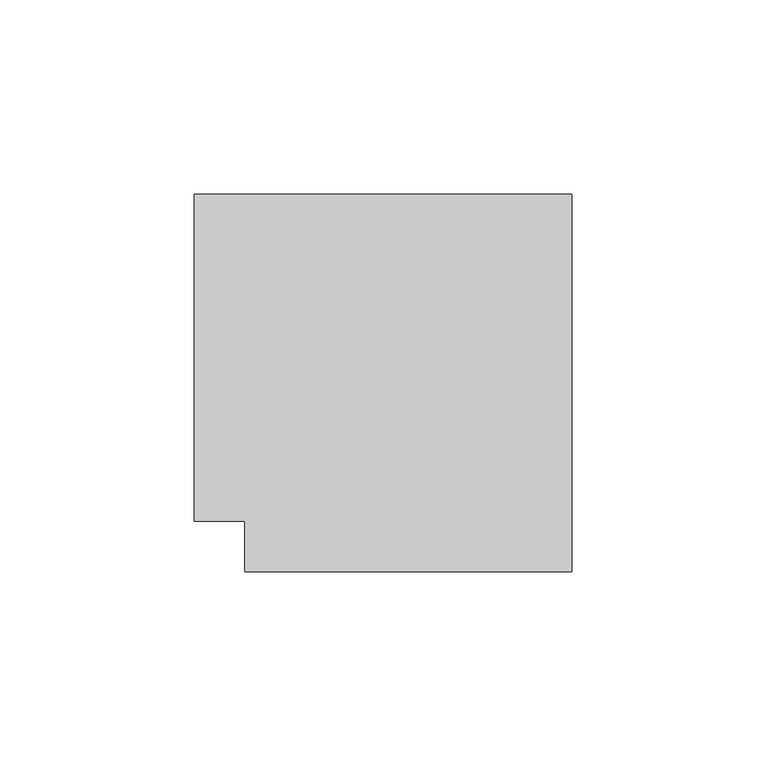
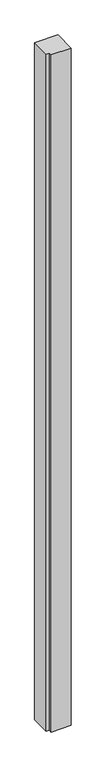
"""IFC4 building model written with IfcOpenShell, lengths in millimetres: member geometry."""

from ifc_helpers import new_model, si_unit, frame, origin, place, context, project, spatial, polyline, outline, extrude, source, transform, mapped, element, save


def member_f14cd448(model_context):
    return source(origin(), model_context, "Body", "SweptSolid", [
        extrude(outline(polyline([(-42.0, -55.0), (-42.0, -42.0), (-55.0, -42.0), (-55.0, 42.0), (42.0, 42.0), (42.0, -55.0), (-42.0, -55.0)])), frame((0.0, 0.0, -3000.0), z_axis=(0.0, 0.0, 1.0), x_axis=(1.0, 0.0, 0.0)), (0.0, 0.0, 1.0), 3000.0),
    ])


if __name__ == "__main__":
    model = new_model("IFC4")
    model_context = context("Model", 3, world=origin())
    ifc_project = project(units=[si_unit("LENGTHUNIT", "METRE", prefix="MILLI")], contexts=[model_context])
    site = spatial("IfcSite", under=ifc_project)
    building = spatial("IfcBuilding", under=site)
    placement = place(None, origin())
    member_shape = member_f14cd448(model_context)
    element("IfcMember", 1, at=placement, inside=building, context=model_context, shape_type="MappedRepresentation", body=[
        mapped(member_shape, transform((0.0, 0.0, 0.0), x_axis=(1.0, 0.0, 0.0), y_axis=(0.0, 1.0, 0.0), z_axis=(0.0, 0.0, 1.0))),
    ])
    save(model, "model.ifc")
